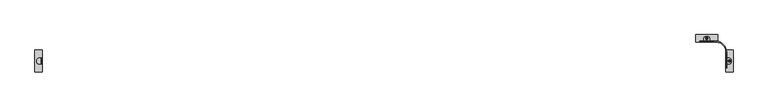
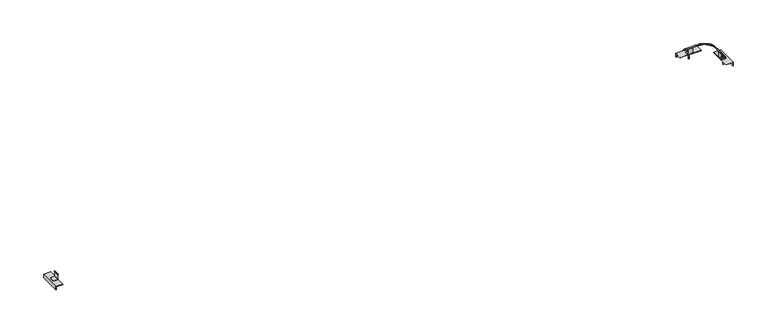
"""IFC4 building model written with IfcOpenShell, lengths in millimetres: proxy geometry."""

from ifc_helpers import new_model, si_unit, point, frame, frame_2d, origin, place, context, project, spatial, polyline, circle_curve, ellipse_curve, trimmed, segment, composite_curve, outline, extrude, source, transform, mapped, element, save
from ifc_brep_helpers import plane_surface, cylinder_surface, revolved_surface, advanced_brep


def specialty_equipment_17fe0b47(model_context):
    return source(origin(), model_context, "Body", "SolidModel", [
        extrude(outline(polyline([(1711.0, 9500.0), (1711.0, 9400.0), (1705.0, 9400.0), (1705.0, 9494.0), (1661.0, 9494.0), (1661.0, 9500.0), (1711.0, 9500.0)])), frame((0.0, -416.5, 0.0), z_axis=(0.0, 1.0, 0.0), x_axis=(0.0, 0.0, 1.0)), (0.0, 0.0, 1.0), 300.0),
        advanced_brep(
        [(9405.0, -306.5, 1714.0), (9405.0, -306.5, 1717.533997), (9405.0, -306.5, 1784.1601246), (9405.0, -306.5, 1784.6941216), (9405.0, -226.5, 1784.6941216), (9405.0, -226.5, 1784.1601246), (9405.0, -226.5, 1717.533997), (9405.0, -226.5, 1714.0), (9411.0, -306.5, 1714.0), (9445.0, -306.5, 1714.0), (9475.0, -276.5, 1714.0), (9475.0, -256.5, 1714.0), (9445.0, -226.5, 1714.0), (9411.0, -226.5, 1714.0), (9404.8190779, -306.5, 1785.720182), (9404.8190779, -226.5, 1785.720182), (9408.1809221, -226.5, 1785.720182), (9408.1809221, -306.5, 1785.720182), (9408.0, -306.5, 1784.6941216), (9408.0, -226.5, 1784.6941216), (9407.5, -226.5, 1792.5), (9407.5, -306.5, 1792.5), (9410.7661501, -306.5, 1793.2485362), (9410.7661501, -226.5, 1793.2485362), (9402.9409047, -226.5, 1794.0447796), (9402.9409047, -306.5, 1794.0447796), (9475.0, -256.5, 1711.0), (9445.0, -226.5, 1711.0), (9408.0, -226.5, 1784.1601246), (9408.0, -226.5, 1717.533997), (9408.0, -306.5, 1717.533997), (9408.0, -306.5, 1784.1601246), (9408.0, -226.5, 1711.0), (9408.0, -226.5, 1717.0), (9408.0, -306.5, 1711.0), (9445.0, -306.5, 1711.0), (9408.0, -306.5, 1717.0), (9475.0, -276.5, 1711.0)],
        [
            (0, 1),
            (1, 2, circle_curve(frame((9405.0, -362.0703313, 1750.8470608), z_axis=(1.0, 0.0, 0.0), x_axis=(0.0, 0.0, 1.0)), 64.7906007)),
            (2, 3),
            (3, 4),
            (4, 5),
            (5, 6, circle_curve(frame((9405.0, -170.9296687, 1750.8470608), z_axis=(1.0, 0.0, 0.0), x_axis=(0.0, 0.0, 1.0)), 64.7906007)),
            (6, 7),
            (7, 0),
            (8, 9),
            (9, 10, circle_curve(frame((9445.0, -276.5, 1714.0), z_axis=(0.0, 0.0, 1.0), x_axis=(1.0, 0.0, 0.0)), 30.0)),
            (10, 11),
            (11, 12, circle_curve(frame((9445.0, -256.5, 1714.0), z_axis=(0.0, 0.0, 1.0), x_axis=(1.0, 0.0, 0.0)), 30.0)),
            (12, 13),
            (13, 8),
            (3, 14, circle_curve(frame((9402.0, -306.5, 1784.6941216), z_axis=(0.0, -1.0, 0.0), x_axis=(0.0, 0.0, 1.0)), 3.0)),
            (14, 15),
            (15, 4, circle_curve(frame((9402.0, -226.5, 1784.6941216), z_axis=(0.0, 1.0, 0.0), x_axis=(0.0, 0.0, 1.0)), 3.0)),
            (16, 17),
            (17, 18, circle_curve(frame((9411.0, -306.5, 1784.6941216), z_axis=(0.0, -1.0, 0.0), x_axis=(0.0, 0.0, 1.0)), 3.0)),
            (18, 19),
            (19, 16, circle_curve(frame((9411.0, -226.5, 1784.6941216), z_axis=(0.0, 1.0, 0.0), x_axis=(0.0, 0.0, 1.0)), 3.0)),
            (20, 21),
            (21, 22, circle_curve(frame((9407.5, -306.5, 1800.0), z_axis=(0.0, -1.0, 0.0), x_axis=(0.0, 0.0, 1.0)), 7.5)),
            (22, 23),
            (23, 20, circle_curve(frame((9407.5, -226.5, 1800.0), z_axis=(0.0, 1.0, 0.0), x_axis=(0.0, 0.0, 1.0)), 7.5)),
            (24, 25),
            (25, 21, circle_curve(frame((9407.5, -306.5, 1800.0), z_axis=(0.0, -1.0, 0.0), x_axis=(0.0, 0.0, 1.0)), 7.5)),
            (20, 24, circle_curve(frame((9407.5, -226.5, 1800.0), z_axis=(0.0, 1.0, 0.0), x_axis=(0.0, 0.0, 1.0)), 7.5)),
            (14, 25),
            (24, 15),
            (11, 26),
            (26, 27, circle_curve(frame((9445.0, -256.5, 1711.0), z_axis=(0.0, 0.0, 1.0), x_axis=(1.0, 0.0, 0.0)), 30.0)),
            (27, 12),
            (28, 29, circle_curve(frame((9408.0, -170.9296687, 1750.8470608), z_axis=(1.0, 0.0, 0.0), x_axis=(0.0, 0.0, 1.0)), 64.7906007)),
            (29, 6),
            (5, 28),
            (1, 30),
            (30, 31, circle_curve(frame((9408.0, -362.0703313, 1750.8470608), z_axis=(1.0, 0.0, 0.0), x_axis=(0.0, 0.0, 1.0)), 64.7906007)),
            (31, 2),
            (19, 28),
            (23, 16),
            (27, 32),
            (32, 7, circle_curve(frame((9408.0, -226.5, 1714.0), z_axis=(0.0, 1.0, 0.0), x_axis=(0.0, 0.0, 1.0)), 3.0)),
            (29, 33),
            (33, 13, circle_curve(frame((9411.0, -226.5, 1717.0), z_axis=(0.0, -1.0, 0.0), x_axis=(0.0, 0.0, 1.0)), 3.0)),
            (31, 18),
            (17, 22),
            (34, 35),
            (35, 9),
            (8, 36, circle_curve(frame((9411.0, -306.5, 1717.0), z_axis=(0.0, 1.0, 0.0), x_axis=(0.0, 0.0, 1.0)), 3.0)),
            (36, 30),
            (0, 34, circle_curve(frame((9408.0, -306.5, 1714.0), z_axis=(0.0, -1.0, 0.0), x_axis=(0.0, 0.0, 1.0)), 3.0)),
            (32, 34),
            (33, 36),
            (10, 37),
            (37, 26),
            (37, 35, circle_curve(frame((9445.0, -276.5, 1711.0), z_axis=(0.0, 0.0, -1.0), x_axis=(1.0, 0.0, 0.0)), 30.0)),
        ],
        [
            plane_surface(frame((9405.0, -226.5, 1784.6941216), z_axis=(-1.0, 0.0, 0.0), x_axis=(0.0, -1.0, 0.0))),
            plane_surface(frame((9475.0, -226.5, 1714.0), z_axis=(0.0, 0.0, 1.0), x_axis=(0.0, -1.0, 0.0))),
            revolved_surface(polyline([(9402.0, -306.5, 1787.6941216), (9402.0, -226.5, 1787.6941216)]), (9402.0, -306.5, 1784.6941216), (0.0, -1.0, 0.0)),
            revolved_surface(polyline([(9411.0, -306.5, 1787.6941216), (9411.0, -226.5, 1787.6941216)]), (9411.0, -306.5, 1784.6941216), (0.0, -1.0, 0.0)),
            revolved_surface(polyline([(9407.5, -306.5, 1807.5), (9407.5, -226.5, 1807.5)]), (9407.5, -306.5, 1800.0), (0.0, -1.0, 0.0)),
            plane_surface(frame((9402.9409047, -226.5, 1794.0447796), z_axis=(-0.9754806304255483, 0.0, -0.2200853008825777), x_axis=(0.0, -1.0, 0.0))),
            cylinder_surface(frame((9445.0, -256.5, 1711.0), z_axis=(0.0, 0.0, -1.0), x_axis=(1.0, 0.0, 0.0)), 30.0),
            revolved_surface(polyline([(9408.0, -170.9296687, 1815.6376615), (9405.0, -170.9296687, 1815.6376615)]), (9405.0, -170.9296687, 1750.8470608), (1.0, 0.0, 0.0)),
            revolved_surface(polyline([(9408.0, -362.0703313, 1815.6376615), (9405.0, -362.0703313, 1815.6376615)]), (9415.0, -362.0703313, 1750.8470608), (1.0, 0.0, 0.0)),
            plane_surface(frame((9475.0, -226.5, 1711.0), z_axis=(0.0, 1.0, 0.0), x_axis=(1.0, 0.0, 0.0))),
            plane_surface(frame((9475.0, -306.5, 1711.0), z_axis=(0.0, -1.0, 0.0), x_axis=(-1.0, 0.0, 0.0))),
            cylinder_surface(frame((9408.0, -306.5, 1714.0), z_axis=(0.0, 1.0, 0.0), x_axis=(0.0, 0.0, 1.0)), 3.0),
            revolved_surface(polyline([(9411.0, -306.5, 1720.0), (9411.0, -226.5, 1720.0)]), (9411.0, -306.5, 1717.0), (0.0, -1.0, 0.0)),
            plane_surface(frame((9475.0, -226.5, 1711.0), z_axis=(1.0, 0.0, 0.0), x_axis=(0.0, -1.0, 0.0))),
            plane_surface(frame((9408.0, -226.5, 1711.0), z_axis=(0.0, 0.0, -1.0), x_axis=(0.0, -1.0, 0.0))),
            plane_surface(frame((9408.0, -226.5, 1717.0), z_axis=(1.0, 0.0, 0.0), x_axis=(0.0, -1.0, 0.0))),
            plane_surface(frame((9408.1809221, -226.5, 1785.720182), z_axis=(0.945788659818913, 0.0, -0.32478271345307863), x_axis=(0.0, -1.0, 0.0))),
            cylinder_surface(frame((9445.0, -276.5, 1714.0), z_axis=(0.0, 0.0, -1.0), x_axis=(1.0, 0.0, 0.0)), 30.0),
        ],
        [
            (0, [[1, 2, 3, 4, 5, 6, 7, 8]]),
            (1, [[9, 10, 11, 12, 13, 14]]),
            (2, [[-4, 15, 16, 17]]),
            (3, [[18, 19, 20, 21]]),
            (4, [[22, 23, 24, 25]]),
            (4, [[26, 27, -22, 28]]),
            (5, [[-16, 29, -26, 30]]),
            (6, [[-12, 31, 32, 33]]),
            (7, [[34, 35, -6, 36]]),
            (8, [[-2, 37, 38, 39]]),
            (9, [[40, -36, -5, -17, -30, -28, -25, 41, -21]]),
            (9, [[-13, -33, 42, 43, -7, -35, 44, 45]]),
            (10, [[-3, -39, 46, -19, 47, -23, -27, -29, -15]]),
            (10, [[48, 49, -9, 50, 51, -37, -1, 52]]),
            (11, [[53, -52, -8, -43]]),
            (12, [[54, -50, -14, -45]]),
            (13, [[55, 56, -31, -11]]),
            (14, [[-42, -32, -56, 57, -48, -53]]),
            (15, [[-44, -34, -40, -20, -46, -38, -51, -54]]),
            (16, [[-24, -47, -18, -41]]),
            (17, [[-57, -55, -10, -49]]),
        ],
    ),
        advanced_brep(
        [(9407.5, -361.4999054, 1795.0), (9407.5, -171.5000946, 1795.0), (9407.5, -171.5000946, 1805.0), (9407.5, -361.4999054, 1805.0), (9407.5, -190.4058632, 1792.7743319), (9407.5, -190.4058632, 1807.2256681), (9407.5, -195.082539, 1792.5), (9407.5, -344.8711836, 1792.5), (9407.5, -344.8711836, 1807.5), (9407.5, -195.082539, 1807.5), (9407.5, -352.5726269, 1793.2484042), (9407.5, -352.5726269, 1806.7515958)],
        [
            (0, 1),
            (1, 2, circle_curve(frame((9407.5, -171.5000946, 1800.0), z_axis=(0.0, 1.0, 0.0), x_axis=(0.0, 0.0, 1.0)), 5.0)),
            (2, 3),
            (3, 0, circle_curve(frame((9407.5, -361.4999054, 1800.0), z_axis=(0.0, -1.0, 0.0), x_axis=(0.0, 0.0, 1.0)), 5.0)),
            (1, 4),
            (4, 5, circle_curve(frame((9407.5, -190.4058632, 1800.0), z_axis=(0.0, 1.0, 0.0), x_axis=(0.0, 0.0, 1.0)), 7.2256681)),
            (5, 2),
            (6, 7),
            (7, 8, circle_curve(frame((9407.5, -344.8711836, 1800.0), z_axis=(0.0, 1.0, 0.0), x_axis=(0.0, 0.0, 1.0)), 7.5)),
            (8, 9),
            (9, 6, circle_curve(frame((9407.5, -195.082539, 1800.0), z_axis=(0.0, -1.0, 0.0), x_axis=(0.0, 0.0, 1.0)), 7.5)),
            (10, 0),
            (3, 11),
            (11, 10, circle_curve(frame((9407.5, -352.5726269, 1800.0), z_axis=(0.0, -1.0, 0.0), x_axis=(0.0, 0.0, 1.0)), 6.7515958)),
            (4, 6, circle_curve(frame((9407.5, -195.082539, 1832.5), z_axis=(-1.0, 0.0, 0.0), x_axis=(0.0, 0.0, 1.0)), 40.0)),
            (9, 5, circle_curve(frame((9407.5, -195.082539, 1767.5), z_axis=(-1.0, 0.0, 0.0), x_axis=(0.0, 0.0, -1.0)), 40.0)),
            (7, 10, circle_curve(frame((9407.5, -344.8711836, 1832.5), z_axis=(-1.0, 0.0, 0.0), x_axis=(0.0, 0.0, 1.0)), 40.0)),
            (11, 8, circle_curve(frame((9407.5, -344.8711836, 1767.5), z_axis=(-1.0, 0.0, 0.0), x_axis=(0.0, 0.0, -1.0)), 40.0)),
            (2, 1, circle_curve(frame((9407.5, -171.5000946, 1800.0), z_axis=(0.0, 1.0, 0.0), x_axis=(0.0, 0.0, 1.0)), 5.0)),
            (0, 3, circle_curve(frame((9407.5, -361.4999054, 1800.0), z_axis=(0.0, -1.0, 0.0), x_axis=(0.0, 0.0, 1.0)), 5.0)),
            (5, 4, circle_curve(frame((9407.5, -190.4058632, 1800.0), z_axis=(0.0, 1.0, 0.0), x_axis=(0.0, 0.0, 1.0)), 7.2256681)),
            (8, 7, circle_curve(frame((9407.5, -344.8711836, 1800.0), z_axis=(0.0, 1.0, 0.0), x_axis=(0.0, 0.0, 1.0)), 7.5)),
            (6, 9, circle_curve(frame((9407.5, -195.082539, 1800.0), z_axis=(0.0, -1.0, 0.0), x_axis=(0.0, 0.0, 1.0)), 7.5)),
            (10, 11, circle_curve(frame((9407.5, -352.5726269, 1800.0), z_axis=(0.0, -1.0, 0.0), x_axis=(0.0, 0.0, 1.0)), 6.7515958)),
        ],
        [
            revolved_surface(polyline([(9407.5, -171.5000946, 1805.0), (9407.5, -361.4999054, 1805.0)]), (9407.5, -361.5, 1800.0), (0.0, 1.0, 0.0)),
            revolved_surface(polyline([(9407.5, -190.4058632, 1807.2256681), (9407.5, -171.5000946, 1805.0)]), (9407.5, -361.5, 1800.0), (0.0, 1.0, 0.0)),
            cylinder_surface(frame((9407.5, -361.5, 1800.0), z_axis=(0.0, 1.0, 0.0), x_axis=(0.0, 0.0, 1.0)), 7.5),
            revolved_surface(polyline([(9407.5, -361.4999054, 1805.0), (9407.5, -352.5726269, 1806.7515958)]), (9407.5, -361.5, 1800.0), (0.0, 1.0, 0.0)),
            revolved_surface(trimmed(ellipse_curve(frame((9407.5, -195.082539, 1767.5), z_axis=(-1.0, 0.0, 0.0), x_axis=(0.0, 0.0, -1.0)), 40.0, 40.0), [point((9407.5, -195.082539, 1807.5))], [point((9407.5, -190.4058632, 1807.2256681))], True, "CARTESIAN"), (9407.5, -361.5, 1800.0), (0.0, 1.0, 0.0)),
            revolved_surface(trimmed(ellipse_curve(frame((9407.5, -344.8711836, 1767.5), z_axis=(-1.0, 0.0, 0.0), x_axis=(0.0, 0.0, -1.0)), 40.0, 40.0), [point((9407.5, -352.5726269, 1806.7515958))], [point((9407.5, -344.8711836, 1807.5))], True, "CARTESIAN"), (9407.5, -361.5, 1800.0), (0.0, 1.0, 0.0)),
        ],
        [
            (0, [[1, 2, 3, 4]]),
            (1, [[5, 6, 7, -2]]),
            (2, [[8, 9, 10, 11]]),
            (3, [[12, -4, 13, 14]]),
            (4, [[15, -11, 16, -6]]),
            (5, [[17, -14, 18, -9]]),
            (0, [[-3, 19, -1, 20]]),
            (1, [[-7, 21, -5, -19]]),
            (2, [[-10, 22, -8, 23]]),
            (3, [[-13, -20, -12, 24]]),
            (4, [[-16, -23, -15, -21]]),
            (5, [[-18, -24, -17, -22]]),
        ],
    ),
        extrude(outline(polyline([(9448.6378375, -274.5829038), (9441.6378375, -270.5414519), (9441.6378375, -262.4585481), (9448.6378375, -258.4170962), (9455.6378375, -262.4585481), (9455.6378375, -270.5414519), (9448.6378375, -274.5829038)]), holes=[composite_curve([segment(trimmed(circle_curve(frame_2d((9448.6378375, -266.5)), 6.0), [point((9442.6378375, -266.5))], [point((9454.6378375, -266.5))], True, "CARTESIAN"), True, "CONTINUOUS"), segment(trimmed(circle_curve(frame_2d((9448.6378375, -266.5)), 6.0), [point((9454.6378375, -266.5))], [point((9442.6378375, -266.5))], True, "CARTESIAN"), True, "CONTINUOUS")], self_intersect=False)]), frame((0.0, 0.0, 1720.0), z_axis=(0.0, 0.0, 1.0), x_axis=(1.0, 0.0, 0.0)), (0.0, 0.0, 1.0), 6.0),
        extrude(outline(composite_curve([segment(trimmed(circle_curve(frame_2d((9448.6378375, -266.5)), 9.0), [point((9439.6378375, -266.5))], [point((9457.6378375, -266.5))], False, "CARTESIAN"), True, "CONTINUOUS"), segment(trimmed(circle_curve(frame_2d((9448.6378375, -266.5)), 9.0), [point((9457.6378375, -266.5))], [point((9439.6378375, -266.5))], False, "CARTESIAN"), True, "CONTINUOUS")], self_intersect=False), holes=[composite_curve([segment(trimmed(circle_curve(frame_2d((9448.6378375, -266.5)), 6.0), [point((9442.6378375, -266.5))], [point((9454.6378375, -266.5))], True, "CARTESIAN"), True, "CONTINUOUS"), segment(trimmed(circle_curve(frame_2d((9448.6378375, -266.5)), 6.0), [point((9454.6378375, -266.5))], [point((9442.6378375, -266.5))], True, "CARTESIAN"), True, "CONTINUOUS")], self_intersect=False)]), frame((0.0, 0.0, 1717.0), z_axis=(0.0, 0.0, 1.0), x_axis=(1.0, 0.0, 0.0)), (0.0, 0.0, 1.0), 3.0),
        extrude(outline(composite_curve([segment(trimmed(circle_curve(frame_2d((9448.6378375, -266.5)), 16.0), [point((9432.6378375, -266.5))], [point((9464.6378375, -266.5))], False, "CARTESIAN"), True, "CONTINUOUS"), segment(trimmed(circle_curve(frame_2d((9448.6378375, -266.5)), 16.0), [point((9464.6378375, -266.5))], [point((9432.6378375, -266.5))], False, "CARTESIAN"), True, "CONTINUOUS")], self_intersect=False), holes=[composite_curve([segment(trimmed(circle_curve(frame_2d((9448.6378375, -266.5)), 6.0), [point((9442.6378375, -266.5))], [point((9454.6378375, -266.5))], True, "CARTESIAN"), True, "CONTINUOUS"), segment(trimmed(circle_curve(frame_2d((9448.6378375, -266.5)), 6.0), [point((9454.6378375, -266.5))], [point((9442.6378375, -266.5))], True, "CARTESIAN"), True, "CONTINUOUS")], self_intersect=False)]), frame((0.0, 0.0, 1714.0), z_axis=(0.0, 0.0, 1.0), x_axis=(1.0, 0.0, 0.0)), (0.0, 0.0, 1.0), 3.0),
        advanced_brep(
        [(9448.6378375, -272.5, 1744.5), (9448.6378375, -266.5, 1744.5), (9448.6378375, -260.5, 1744.5), (9448.6378375, -272.5, 1614.5), (9448.6378375, -260.5, 1614.5), (9448.6378375, -266.5, 1614.5)],
        [
            (0, 1),
            (1, 2),
            (2, 0, circle_curve(frame((9448.6378375, -266.5, 1744.5), z_axis=(0.0, 0.0, 1.0), x_axis=(0.0, 1.0, 0.0)), 6.0)),
            (3, 0),
            (2, 4),
            (4, 3, circle_curve(frame((9448.6378375, -266.5, 1614.5), z_axis=(0.0, 0.0, 1.0), x_axis=(0.0, 1.0, 0.0)), 6.0)),
            (2, 0, circle_curve(frame((9448.6378375, -266.5, 1744.5), z_axis=(0.0, 0.0, -1.0), x_axis=(0.0, 1.0, 0.0)), 6.0)),
            (3, 4, circle_curve(frame((9448.6378375, -266.5, 1614.5), z_axis=(0.0, 0.0, 1.0), x_axis=(0.0, 1.0, 0.0)), 6.0)),
            (5, 3),
            (4, 5),
        ],
        [
            plane_surface(frame((9448.6378375, -266.5, 1744.5), z_axis=(0.0, 0.0, 1.0), x_axis=(0.0, 1.0, 0.0))),
            cylinder_surface(frame((9448.6378375, -266.5, 1663.5), z_axis=(0.0, 0.0, -1.0), x_axis=(0.0, 1.0, 0.0)), 6.0),
            plane_surface(frame((9448.6378375, -266.5, 1614.5), z_axis=(0.0, 0.0, -1.0), x_axis=(0.0, 1.0, 0.0))),
        ],
        [
            (0, [[1, 2, 3]]),
            (1, [[4, -3, 5, 6]]),
            (1, [[-5, 7, -4, 8]]),
            (0, [[-2, -1, -7]]),
            (2, [[9, -6, 10]]),
            (2, [[-10, -8, -9]]),
        ],
    ),
        advanced_brep(
        [(9412.5, -146.5000946, 1800.0), (9412.5, -171.5000946, 1800.0), (9402.5, -171.5000946, 1800.0), (9402.5, -146.5000946, 1800.0), (9235.9998108, -5.0, 1800.0), (9235.9998108, 5.0, 1800.0), (9260.9999054, -5.0, 1800.0), (9260.9999054, 5.0, 1800.0)],
        [
            (0, 1),
            (1, 2, circle_curve(frame((9407.5, -171.5000946, 1800.0), z_axis=(0.0, 1.0, 0.0), x_axis=(1.0, 0.0, 0.0)), 5.0)),
            (2, 3),
            (3, 0, circle_curve(frame((9407.5, -146.5000946, 1800.0), z_axis=(0.0, -1.0, 0.0), x_axis=(1.0, 0.0, 0.0)), 5.0)),
            (4, 5, circle_curve(frame((9235.9998108, 0.0, 1800.0), z_axis=(-1.0, 0.0, 0.0), x_axis=(0.0, 1.0, 0.0)), 5.0)),
            (5, 4, circle_curve(frame((9235.9998108, 0.0, 1800.0), z_axis=(-1.0, 0.0, 0.0), x_axis=(0.0, 1.0, 0.0)), 5.0)),
            (4, 6),
            (6, 7, circle_curve(frame((9260.9999054, 0.0, 1800.0), z_axis=(-1.0, 0.0, 0.0), x_axis=(0.0, 1.0, 0.0)), 5.0)),
            (7, 5),
            (7, 6, circle_curve(frame((9260.9999054, 0.0, 1800.0), z_axis=(-1.0, 0.0, 0.0), x_axis=(0.0, 1.0, 0.0)), 5.0)),
            (3, 0, circle_curve(frame((9407.5, -146.5000946, 1800.0), z_axis=(0.0, 1.0, 0.0), x_axis=(1.0, 0.0, 0.0)), 5.0)),
            (0, 7, circle_curve(frame((9260.9999054, -146.5000946, 1800.0), z_axis=(0.0, 0.0, 1.0), x_axis=(0.0, 1.0, 0.0)), 151.5000946)),
            (6, 3, circle_curve(frame((9260.9999054, -146.5000946, 1800.0), z_axis=(0.0, 0.0, -1.0), x_axis=(0.0, 1.0, 0.0)), 141.5000946)),
            (1, 2, circle_curve(frame((9407.5, -171.5000946, 1800.0), z_axis=(0.0, -1.0, 0.0), x_axis=(1.0, 0.0, 0.0)), 5.0)),
        ],
        [
            cylinder_surface(frame((9407.5, -146.5000946, 1800.0), z_axis=(0.0, 1.0, 0.0), x_axis=(1.0, 0.0, 0.0)), 5.0),
            plane_surface(frame((9235.9998108, 0.0, 1711.0), z_axis=(-1.0, 0.0, 0.0), x_axis=(0.0, 0.0, -1.0))),
            cylinder_surface(frame((9235.9998108, 0.0, 1800.0), z_axis=(-1.0, 0.0, 0.0), x_axis=(0.0, 1.0, 0.0)), 5.0),
            revolved_surface(trimmed(ellipse_curve(frame((9260.9999054, 0.0, 1800.0), z_axis=(1.0, 0.0, 0.0), x_axis=(0.0, 1.0, 0.0)), 5.0, 5.0), [point((9260.9999054, 5.0, 1800.0))], [point((9260.9999054, -5.0, 1800.0))], True, "CARTESIAN"), (9260.9999054, -146.5000946, 1711.0), (0.0, 0.0, 1.0)),
            revolved_surface(trimmed(ellipse_curve(frame((9260.9999054, 0.0, 1800.0), z_axis=(1.0, 0.0, 0.0), x_axis=(0.0, 1.0, 0.0)), 5.0, 5.0), [point((9260.9999054, -5.0, 1800.0))], [point((9260.9999054, 5.0, 1800.0))], True, "CARTESIAN"), (9260.9999054, -146.5000946, 1711.0), (0.0, 0.0, 1.0)),
            plane_surface(frame((9407.5, -171.5000946, 1711.0), z_axis=(0.0, -1.0, 0.0), x_axis=(0.0, 0.0, -1.0))),
        ],
        [
            (0, [[1, 2, 3, 4]]),
            (1, [[5, 6]]),
            (2, [[7, 8, 9, -5]]),
            (2, [[-9, 10, -7, -6]]),
            (3, [[11, 12, -8, 13]]),
            (4, [[-4, -13, -10, -12]]),
            (5, [[-2, 14]]),
            (0, [[-3, -14, -1, -11]]),
        ],
    ),
        advanced_brep(
        [(9290.9999054, 86.5, 1661.0), (8991.0, 86.5, 1661.0), (8991.0, 92.5, 1661.0), (9290.9999054, 92.5, 1661.0), (9290.9999054, 86.5, 1705.0), (8991.0, 86.5, 1705.0), (9290.9999054, -7.5, 1705.0), (8991.0, -7.5, 1705.0), (9134.9999054, 41.1378375, 1705.0), (9146.9999054, 41.1378375, 1705.0), (9290.9999054, 92.5, 1711.0), (8991.0, 92.5, 1711.0), (8991.0, -7.5, 1711.0), (9290.9999054, -7.5, 1711.0), (9146.9999054, 41.1378375, 1711.0), (9134.9999054, 41.1378375, 1711.0), (9134.9999054, 41.1378375, 1744.5), (9140.9999054, 41.1378375, 1744.5), (9146.9999054, 41.1378375, 1744.5), (9146.9999054, 41.1378375, 1614.5), (9140.9999054, 41.1378375, 1614.5), (9134.9999054, 41.1378375, 1614.5)],
        [
            (0, 1),
            (1, 2),
            (2, 3),
            (3, 0),
            (4, 5),
            (5, 1),
            (0, 4),
            (6, 7),
            (7, 5),
            (4, 6),
            (8, 9, circle_curve(frame((9140.9999054, 41.1378375, 1705.0), z_axis=(0.0, 0.0, 1.0), x_axis=(-1.0, 0.0, 0.0)), 6.0)),
            (9, 8, circle_curve(frame((9140.9999054, 41.1378375, 1705.0), z_axis=(0.0, 0.0, 1.0), x_axis=(-1.0, 0.0, 0.0)), 6.0)),
            (10, 11),
            (11, 12),
            (12, 13),
            (13, 10),
            (14, 15, circle_curve(frame((9140.9999054, 41.1378375, 1711.0), z_axis=(0.0, 0.0, -1.0), x_axis=(-1.0, 0.0, 0.0)), 6.0)),
            (15, 14, circle_curve(frame((9140.9999054, 41.1378375, 1711.0), z_axis=(0.0, 0.0, -1.0), x_axis=(-1.0, 0.0, 0.0)), 6.0)),
            (16, 17),
            (17, 18),
            (18, 16, circle_curve(frame((9140.9999054, 41.1378375, 1744.5), z_axis=(0.0, 0.0, 1.0), x_axis=(-1.0, 0.0, 0.0)), 6.0)),
            (19, 20),
            (20, 21),
            (21, 19, circle_curve(frame((9140.9999054, 41.1378375, 1614.5), z_axis=(0.0, 0.0, -1.0), x_axis=(-1.0, 0.0, 0.0)), 6.0)),
            (13, 6),
            (3, 10),
            (11, 2),
            (7, 12),
            (21, 8),
            (9, 19),
            (18, 14),
            (15, 16),
            (18, 16, circle_curve(frame((9140.9999054, 41.1378375, 1744.5), z_axis=(0.0, 0.0, -1.0), x_axis=(-1.0, 0.0, 0.0)), 6.0)),
            (21, 19, circle_curve(frame((9140.9999054, 41.1378375, 1614.5), z_axis=(0.0, 0.0, 1.0), x_axis=(-1.0, 0.0, 0.0)), 6.0)),
        ],
        [
            plane_surface(frame((9290.9999054, 92.5, 1661.0), z_axis=(0.0, 0.0, -1.0), x_axis=(-1.0, 0.0, 0.0))),
            plane_surface(frame((9290.9999054, 86.5, 1661.0), z_axis=(0.0, -1.0, 0.0), x_axis=(-1.0, 0.0, 0.0))),
            plane_surface(frame((9290.9999054, 86.5, 1705.0), z_axis=(0.0, 0.0, -1.0), x_axis=(-1.0, 0.0, 0.0))),
            plane_surface(frame((9290.9999054, -7.5, 1711.0), z_axis=(0.0, 0.0, 1.0), x_axis=(-1.0, 0.0, 0.0))),
            plane_surface(frame((9140.9999054, 41.1378375, 1744.5), z_axis=(0.0, 0.0, 1.0), x_axis=(-1.0, 0.0, 0.0))),
            plane_surface(frame((9140.9999054, 41.1378375, 1614.5), z_axis=(0.0, 0.0, -1.0), x_axis=(-1.0, 0.0, 0.0))),
            plane_surface(frame((9290.9999054, 171.5, 1711.0), z_axis=(1.0, 0.0, 0.0), x_axis=(0.0, 1.0, 0.0))),
            plane_surface(frame((8991.0, 171.5, 1711.0), z_axis=(-1.0, 0.0, 0.0), x_axis=(0.0, 1.0, 0.0))),
            plane_surface(frame((9290.9999054, 92.5, 1711.0), z_axis=(0.0, 1.0, 0.0), x_axis=(-1.0, 0.0, 0.0))),
            plane_surface(frame((9290.9999054, -7.5, 1705.0), z_axis=(0.0, -1.0, 0.0), x_axis=(-1.0, 0.0, 0.0))),
            cylinder_surface(frame((9140.9999054, 41.1378375, 1663.5), z_axis=(0.0, 0.0, 1.0), x_axis=(-1.0, 0.0, 0.0)), 6.0),
        ],
        [
            (0, [[1, 2, 3, 4]]),
            (1, [[5, 6, -1, 7]]),
            (2, [[8, 9, -5, 10], [11, 12]]),
            (3, [[13, 14, 15, 16], [17, 18]]),
            (4, [[19, 20, 21]]),
            (5, [[22, 23, 24]]),
            (6, [[-16, 25, -10, -7, -4, 26]]),
            (7, [[27, -2, -6, -9, 28, -14]]),
            (8, [[-3, -27, -13, -26]]),
            (9, [[-15, -28, -8, -25]]),
            (10, [[29, -12, 30, -24]]),
            (10, [[31, -18, 32, -21]]),
            (10, [[-32, -17, -31, 33]]),
            (10, [[-30, -11, -29, 34]]),
            (4, [[-20, -19, -33]]),
            (5, [[-23, -22, -34]]),
        ],
    ),
        advanced_brep(
        [(9100.9999054, 3.5, 1714.0), (9100.9999054, 37.5, 1714.0), (9100.9999054, 37.5, 1711.0), (9100.9999054, 0.5, 1711.0), (9100.9999054, -2.5, 1714.0), (9100.9999054, -2.5, 1717.0), (9100.9999054, 0.5, 1717.0), (9100.9999054, 0.5, 1784.6941216), (9100.9999054, 0.5, 1783.6261276), (9100.9999054, -2.5, 1783.6261276), (9100.9999054, -2.5, 1784.6941216), (9100.9999054, -2.6809221, 1785.720182), (9100.9999054, -4.5590953, 1794.0447796), (9100.9999054, 0.0, 1792.5), (9100.9999054, 3.2661501, 1793.2485362), (9100.9999054, 0.6809221, 1785.720182), (9180.9999054, -2.5, 1714.0), (9180.9999054, -2.5, 1717.0), (9180.9999054, -2.5, 1783.6261276), (9180.9999054, -2.5, 1784.6941216), (9180.9999054, 3.5, 1714.0), (9180.9999054, 37.5, 1714.0), (9150.9999054, 67.5, 1714.0), (9130.9999054, 67.5, 1714.0), (9180.9999054, -2.6809221, 1785.720182), (9180.9999054, 0.6809221, 1785.720182), (9180.9999054, 0.5, 1784.6941216), (9180.9999054, 0.0, 1792.5), (9180.9999054, 3.2661501, 1793.2485362), (9180.9999054, -4.5590953, 1794.0447796), (9130.9999054, 67.5, 1711.0), (9180.9999054, 0.5, 1717.0), (9180.9999054, 0.5, 1783.6261276), (9180.9999054, 0.5, 1711.0), (9180.9999054, 37.5, 1711.0), (9150.9999054, 67.5, 1711.0)],
        [
            (0, 1),
            (1, 2),
            (2, 3),
            (3, 4, circle_curve(frame((9100.9999054, 0.5, 1714.0), z_axis=(-1.0, 0.0, 0.0), x_axis=(0.0, 0.0, 1.0)), 3.0)),
            (4, 5),
            (5, 6),
            (6, 0, circle_curve(frame((9100.9999054, 3.5, 1717.0), z_axis=(1.0, 0.0, 0.0), x_axis=(0.0, 0.0, 1.0)), 3.0)),
            (7, 8),
            (8, 9),
            (9, 10),
            (10, 11, circle_curve(frame((9100.9999054, -5.5, 1784.6941216), z_axis=(1.0, 0.0, 0.0), x_axis=(0.0, 0.0, 1.0)), 3.0)),
            (11, 12),
            (12, 13, circle_curve(frame((9100.9999054, 0.0, 1800.0), z_axis=(1.0, 0.0, 0.0), x_axis=(0.0, 0.0, 1.0)), 7.5)),
            (13, 14, circle_curve(frame((9100.9999054, 0.0, 1800.0), z_axis=(1.0, 0.0, 0.0), x_axis=(0.0, 0.0, 1.0)), 7.5)),
            (14, 15),
            (15, 7, circle_curve(frame((9100.9999054, 3.5, 1784.6941216), z_axis=(1.0, 0.0, 0.0), x_axis=(0.0, 0.0, 1.0)), 3.0)),
            (16, 17),
            (17, 18, circle_curve(frame((9236.5702367, -2.5, 1750.3130638), z_axis=(0.0, 1.0, 0.0), x_axis=(0.0, 0.0, -1.0)), 64.7906007)),
            (18, 19),
            (19, 10),
            (9, 5, circle_curve(frame((9045.4295741, -2.5, 1750.3130638), z_axis=(0.0, 1.0, 0.0), x_axis=(0.0, 0.0, -1.0)), 64.7906007)),
            (4, 16),
            (20, 21),
            (21, 22, circle_curve(frame((9150.9999054, 37.5, 1714.0), z_axis=(0.0, 0.0, 1.0), x_axis=(0.0, 1.0, 0.0)), 30.0)),
            (22, 23),
            (23, 1, circle_curve(frame((9130.9999054, 37.5, 1714.0), z_axis=(0.0, 0.0, 1.0), x_axis=(0.0, 1.0, 0.0)), 30.0)),
            (0, 20),
            (19, 24, circle_curve(frame((9180.9999054, -5.5, 1784.6941216), z_axis=(1.0, 0.0, 0.0), x_axis=(0.0, 0.0, 1.0)), 3.0)),
            (24, 11),
            (15, 25),
            (25, 26, circle_curve(frame((9180.9999054, 3.5, 1784.6941216), z_axis=(1.0, 0.0, 0.0), x_axis=(0.0, 0.0, 1.0)), 3.0)),
            (26, 7),
            (13, 27),
            (27, 28, circle_curve(frame((9180.9999054, 0.0, 1800.0), z_axis=(1.0, 0.0, 0.0), x_axis=(0.0, 0.0, 1.0)), 7.5)),
            (28, 14),
            (12, 29),
            (29, 27, circle_curve(frame((9180.9999054, 0.0, 1800.0), z_axis=(1.0, 0.0, 0.0), x_axis=(0.0, 0.0, 1.0)), 7.5)),
            (24, 29),
            (23, 30),
            (30, 2, circle_curve(frame((9130.9999054, 37.5, 1711.0), z_axis=(0.0, 0.0, 1.0), x_axis=(0.0, 1.0, 0.0)), 30.0)),
            (8, 6, circle_curve(frame((9045.4295741, 0.5, 1750.3130638), z_axis=(0.0, 1.0, 0.0), x_axis=(0.0, 0.0, -1.0)), 64.7906007)),
            (17, 31),
            (31, 32, circle_curve(frame((9236.5702367, 0.5, 1750.3130638), z_axis=(0.0, 1.0, 0.0), x_axis=(0.0, 0.0, -1.0)), 64.7906007)),
            (32, 18),
            (33, 34),
            (34, 21),
            (20, 31, circle_curve(frame((9180.9999054, 3.5, 1717.0), z_axis=(-1.0, 0.0, 0.0), x_axis=(0.0, 0.0, 1.0)), 3.0)),
            (16, 33, circle_curve(frame((9180.9999054, 0.5, 1714.0), z_axis=(1.0, 0.0, 0.0), x_axis=(0.0, 0.0, 1.0)), 3.0)),
            (32, 26),
            (25, 28),
            (3, 33),
            (6, 31),
            (22, 35),
            (35, 30),
            (35, 34, circle_curve(frame((9150.9999054, 37.5, 1711.0), z_axis=(0.0, 0.0, -1.0), x_axis=(0.0, 1.0, 0.0)), 30.0)),
        ],
        [
            plane_surface(frame((9100.9999054, 67.5, 1711.0), z_axis=(-1.0, 0.0, 0.0), x_axis=(0.0, 1.0, 0.0))),
            plane_surface(frame((9100.9999054, -2.5, 1784.6941216), z_axis=(0.0, -1.0, 0.0), x_axis=(1.0, 0.0, 0.0))),
            plane_surface(frame((9100.9999054, 67.5, 1714.0), z_axis=(0.0, 0.0, 1.0), x_axis=(1.0, 0.0, 0.0))),
            revolved_surface(polyline([(9180.9999054, -5.5, 1787.6941216), (9100.9999054, -5.5, 1787.6941216)]), (9180.9999054, -5.5, 1784.6941216), (1.0, 0.0, 0.0)),
            revolved_surface(polyline([(9180.9999054, 3.5, 1787.6941216), (9100.9999054, 3.5, 1787.6941216)]), (9180.9999054, 3.5, 1784.6941216), (1.0, 0.0, 0.0)),
            revolved_surface(polyline([(9180.9999054, 0.0, 1807.5), (9100.9999054, 0.0, 1807.5)]), (9180.9999054, 0.0, 1800.0), (1.0, 0.0, 0.0)),
            plane_surface(frame((9100.9999054, -4.5590953, 1794.0447796), z_axis=(0.0, -0.9754806304250292, -0.22008530088487915), x_axis=(1.0, 0.0, 0.0))),
            cylinder_surface(frame((9130.9999054, 37.5, 1711.0), z_axis=(0.0, 0.0, -1.0), x_axis=(0.0, 1.0, 0.0)), 30.0),
            revolved_surface(polyline([(9045.4295741, 0.5, 1685.5224631), (9045.4295741, -2.5, 1685.5224631)]), (9045.4295741, -2.5, 1750.3130638), (0.0, 1.0, 0.0)),
            revolved_surface(polyline([(9236.5702367, 0.5, 1685.5224631), (9236.5702367, -2.5, 1685.5224631)]), (9236.5702367, 0.5, 1750.3130638), (0.0, 1.0, 0.0)),
            plane_surface(frame((9180.9999054, 67.5, 1711.0), z_axis=(1.0, 0.0, 0.0), x_axis=(0.0, -1.0, 0.0))),
            cylinder_surface(frame((9180.9999054, 0.5, 1714.0), z_axis=(-1.0, 0.0, 0.0), x_axis=(0.0, 0.0, 1.0)), 3.0),
            revolved_surface(polyline([(9180.9999054, 3.5, 1720.0), (9100.9999054, 3.5, 1720.0)]), (9180.9999054, 3.5, 1717.0), (1.0, 0.0, 0.0)),
            plane_surface(frame((9100.9999054, 67.5, 1711.0), z_axis=(0.0, 1.0, 0.0), x_axis=(1.0, 0.0, 0.0))),
            plane_surface(frame((9100.9999054, 0.5, 1711.0), z_axis=(0.0, 0.0, -1.0), x_axis=(1.0, 0.0, 0.0))),
            plane_surface(frame((9100.9999054, 0.5, 1717.0), z_axis=(0.0, 1.0, 0.0), x_axis=(1.0, 0.0, 0.0))),
            plane_surface(frame((9100.9999054, 0.6809221, 1785.720182), z_axis=(0.0, 0.9457886598207119, -0.32478271344783977), x_axis=(1.0, 0.0, 0.0))),
            cylinder_surface(frame((9150.9999054, 37.5, 1714.0), z_axis=(0.0, 0.0, -1.0), x_axis=(0.0, 1.0, 0.0)), 30.0),
        ],
        [
            (0, [[1, 2, 3, 4, 5, 6, 7]]),
            (0, [[8, 9, 10, 11, 12, 13, 14, 15, 16]]),
            (1, [[17, 18, 19, 20, -10, 21, -5, 22]]),
            (2, [[23, 24, 25, 26, -1, 27]]),
            (3, [[-20, 28, 29, -11]]),
            (4, [[30, 31, 32, -16]]),
            (5, [[33, 34, 35, -14]]),
            (5, [[36, 37, -33, -13]]),
            (6, [[-29, 38, -36, -12]]),
            (7, [[-26, 39, 40, -2]]),
            (8, [[-21, -9, 41, -6]]),
            (9, [[-18, 42, 43, 44]]),
            (10, [[45, 46, -23, 47, -42, -17, 48]]),
            (10, [[-19, -44, 49, -31, 50, -34, -37, -38, -28]]),
            (11, [[51, -48, -22, -4]]),
            (12, [[52, -47, -27, -7]]),
            (13, [[53, 54, -39, -25]]),
            (14, [[-3, -40, -54, 55, -45, -51]]),
            (15, [[-41, -8, -32, -49, -43, -52]]),
            (16, [[-35, -50, -30, -15]]),
            (17, [[-55, -53, -24, -46]]),
        ],
    ),
        advanced_brep(
        [(9046.0, 0.0, 1795.0), (9235.9998108, 0.0, 1795.0), (9235.9998108, 0.0, 1805.0), (9046.0, 0.0, 1805.0), (9064.9057686, 0.0, 1792.7743319), (9064.9057686, 0.0, 1807.2256681), (9219.371089, 0.0, 1792.5), (9069.5824444, 0.0, 1792.5), (9069.5824444, 0.0, 1807.5), (9219.371089, 0.0, 1807.5), (9227.0725323, 0.0, 1793.2484042), (9227.0725323, 0.0, 1806.7515958)],
        [
            (0, 1),
            (1, 2, circle_curve(frame((9235.9998108, 0.0, 1800.0), z_axis=(1.0, 0.0, 0.0), x_axis=(0.0, 0.0, 1.0)), 5.0)),
            (2, 3),
            (3, 0, circle_curve(frame((9046.0, 0.0, 1800.0), z_axis=(-1.0, 0.0, 0.0), x_axis=(0.0, 0.0, 1.0)), 5.0)),
            (4, 0),
            (3, 5),
            (5, 4, circle_curve(frame((9064.9057686, 0.0, 1800.0), z_axis=(-1.0, 0.0, 0.0), x_axis=(0.0, 0.0, 1.0)), 7.2256681)),
            (6, 7),
            (7, 8, circle_curve(frame((9069.5824444, 0.0, 1800.0), z_axis=(1.0, 0.0, 0.0), x_axis=(0.0, 0.0, 1.0)), 7.5)),
            (8, 9),
            (9, 6, circle_curve(frame((9219.371089, 0.0, 1800.0), z_axis=(-1.0, 0.0, 0.0), x_axis=(0.0, 0.0, 1.0)), 7.5)),
            (1, 10),
            (10, 11, circle_curve(frame((9227.0725323, 0.0, 1800.0), z_axis=(1.0, 0.0, 0.0), x_axis=(0.0, 0.0, 1.0)), 6.7515958)),
            (11, 2),
            (7, 4, circle_curve(frame((9069.5824444, 0.0, 1832.5), z_axis=(0.0, 1.0, 0.0), x_axis=(0.0, 0.0, -1.0)), 40.0)),
            (5, 8, circle_curve(frame((9069.5824444, 0.0, 1767.5), z_axis=(0.0, 1.0, 0.0), x_axis=(0.0, 0.0, 1.0)), 40.0)),
            (10, 6, circle_curve(frame((9219.371089, 0.0, 1832.5), z_axis=(0.0, 1.0, 0.0), x_axis=(0.0, 0.0, -1.0)), 40.0)),
            (9, 11, circle_curve(frame((9219.371089, 0.0, 1767.5), z_axis=(0.0, 1.0, 0.0), x_axis=(0.0, 0.0, 1.0)), 40.0)),
            (2, 1, circle_curve(frame((9235.9998108, 0.0, 1800.0), z_axis=(1.0, 0.0, 0.0), x_axis=(0.0, 0.0, 1.0)), 5.0)),
            (0, 3, circle_curve(frame((9046.0, 0.0, 1800.0), z_axis=(-1.0, 0.0, 0.0), x_axis=(0.0, 0.0, 1.0)), 5.0)),
            (4, 5, circle_curve(frame((9064.9057686, 0.0, 1800.0), z_axis=(-1.0, 0.0, 0.0), x_axis=(0.0, 0.0, 1.0)), 7.2256681)),
            (8, 7, circle_curve(frame((9069.5824444, 0.0, 1800.0), z_axis=(1.0, 0.0, 0.0), x_axis=(0.0, 0.0, 1.0)), 7.5)),
            (6, 9, circle_curve(frame((9219.371089, 0.0, 1800.0), z_axis=(-1.0, 0.0, 0.0), x_axis=(0.0, 0.0, 1.0)), 7.5)),
            (11, 10, circle_curve(frame((9227.0725323, 0.0, 1800.0), z_axis=(1.0, 0.0, 0.0), x_axis=(0.0, 0.0, 1.0)), 6.7515958)),
        ],
        [
            revolved_surface(polyline([(9235.9998108, 0.0, 1805.0), (9046.0, 0.0, 1805.0)]), (9235.9999054, 0.0, 1800.0), (1.0, 0.0, 0.0)),
            revolved_surface(polyline([(9046.0, 0.0, 1805.0), (9064.9057686, 0.0, 1807.2256681)]), (9235.9999054, 0.0, 1800.0), (1.0, 0.0, 0.0)),
            cylinder_surface(frame((9235.9999054, 0.0, 1800.0), z_axis=(1.0, 0.0, 0.0), x_axis=(0.0, 0.0, 1.0)), 7.5),
            revolved_surface(polyline([(9227.0725323, 0.0, 1806.7515958), (9235.9998108, 0.0, 1805.0)]), (9235.9999054, 0.0, 1800.0), (1.0, 0.0, 0.0)),
            revolved_surface(trimmed(ellipse_curve(frame((9069.5824444, 0.0, 1767.5), z_axis=(0.0, 1.0, 0.0), x_axis=(0.0, 0.0, 1.0)), 40.0, 40.0), [point((9064.9057686, 0.0, 1807.2256681))], [point((9069.5824444, 0.0, 1807.5))], True, "CARTESIAN"), (9235.9999054, 0.0, 1800.0), (1.0, 0.0, 0.0)),
            revolved_surface(trimmed(ellipse_curve(frame((9219.371089, 0.0, 1767.5), z_axis=(0.0, 1.0, 0.0), x_axis=(0.0, 0.0, 1.0)), 40.0, 40.0), [point((9219.371089, 0.0, 1807.5))], [point((9227.0725323, 0.0, 1806.7515958))], True, "CARTESIAN"), (9235.9999054, 0.0, 1800.0), (1.0, 0.0, 0.0)),
        ],
        [
            (0, [[1, 2, 3, 4]]),
            (1, [[5, -4, 6, 7]]),
            (2, [[8, 9, 10, 11]]),
            (3, [[12, 13, 14, -2]]),
            (4, [[15, -7, 16, -9]]),
            (5, [[17, -11, 18, -13]]),
            (0, [[-3, 19, -1, 20]]),
            (1, [[-6, -20, -5, 21]]),
            (2, [[-10, 22, -8, 23]]),
            (3, [[-14, 24, -12, -19]]),
            (4, [[-16, -21, -15, -22]]),
            (5, [[-18, -23, -17, -24]]),
        ],
    ),
        extrude(outline(polyline([(9149.0828092, 41.1378375), (9145.0413573, 34.1378375), (9136.9584535, 34.1378375), (9132.9170016, 41.1378375), (9136.9584535, 48.1378375), (9145.0413573, 48.1378375), (9149.0828092, 41.1378375)]), holes=[composite_curve([segment(trimmed(circle_curve(frame_2d((9140.9999054, 41.1378375)), 6.0), [point((9140.9999054, 35.1378375))], [point((9140.9999054, 47.1378375))], True, "CARTESIAN"), True, "CONTINUOUS"), segment(trimmed(circle_curve(frame_2d((9140.9999054, 41.1378375)), 6.0), [point((9140.9999054, 47.1378375))], [point((9140.9999054, 35.1378375))], True, "CARTESIAN"), True, "CONTINUOUS")], self_intersect=False)]), frame((0.0, 0.0, 1720.0), z_axis=(0.0, 0.0, 1.0), x_axis=(1.0, 0.0, 0.0)), (0.0, 0.0, 1.0), 6.0),
        extrude(outline(composite_curve([segment(trimmed(circle_curve(frame_2d((9140.9999054, 41.1378375)), 9.0), [point((9140.9999054, 32.1378375))], [point((9140.9999054, 50.1378375))], False, "CARTESIAN"), True, "CONTINUOUS"), segment(trimmed(circle_curve(frame_2d((9140.9999054, 41.1378375)), 9.0), [point((9140.9999054, 50.1378375))], [point((9140.9999054, 32.1378375))], False, "CARTESIAN"), True, "CONTINUOUS")], self_intersect=False), holes=[composite_curve([segment(trimmed(circle_curve(frame_2d((9140.9999054, 41.1378375)), 6.0), [point((9140.9999054, 35.1378375))], [point((9140.9999054, 47.1378375))], True, "CARTESIAN"), True, "CONTINUOUS"), segment(trimmed(circle_curve(frame_2d((9140.9999054, 41.1378375)), 6.0), [point((9140.9999054, 47.1378375))], [point((9140.9999054, 35.1378375))], True, "CARTESIAN"), True, "CONTINUOUS")], self_intersect=False)]), frame((0.0, 0.0, 1717.0), z_axis=(0.0, 0.0, 1.0), x_axis=(1.0, 0.0, 0.0)), (0.0, 0.0, 1.0), 3.0),
        extrude(outline(composite_curve([segment(trimmed(circle_curve(frame_2d((9140.9999054, 41.1378375)), 16.0), [point((9140.9999054, 25.1378375))], [point((9140.9999054, 57.1378375))], False, "CARTESIAN"), True, "CONTINUOUS"), segment(trimmed(circle_curve(frame_2d((9140.9999054, 41.1378375)), 16.0), [point((9140.9999054, 57.1378375))], [point((9140.9999054, 25.1378375))], False, "CARTESIAN"), True, "CONTINUOUS")], self_intersect=False), holes=[composite_curve([segment(trimmed(circle_curve(frame_2d((9140.9999054, 41.1378375)), 6.0), [point((9140.9999054, 35.1378375))], [point((9140.9999054, 47.1378375))], True, "CARTESIAN"), True, "CONTINUOUS"), segment(trimmed(circle_curve(frame_2d((9140.9999054, 41.1378375)), 6.0), [point((9140.9999054, 47.1378375))], [point((9140.9999054, 35.1378375))], True, "CARTESIAN"), True, "CONTINUOUS")], self_intersect=False)]), frame((0.0, 0.0, 1714.0), z_axis=(0.0, 0.0, 1.0), x_axis=(1.0, 0.0, 0.0)), (0.0, 0.0, 1.0), 3.0),
        extrude(outline(polyline([(1711.0, 0.0), (1661.0, 0.0), (1661.0, 6.0), (1705.0, 6.0), (1705.0, 100.0), (1711.0, 100.0), (1711.0, 0.0)])), frame((0.0, -416.5, 0.0), z_axis=(0.0, 1.0, 0.0), x_axis=(0.0, 0.0, 1.0)), (0.0, 0.0, 1.0), 300.0),
        advanced_brep(
        [(95.0, -306.5, 1714.0), (95.0, -226.5, 1714.0), (95.0, -226.5, 1717.533997), (95.0, -226.5, 1784.1601246), (95.0, -226.5, 1784.6941216), (95.0, -306.5, 1784.6941216), (95.0, -306.5, 1784.1601246), (95.0, -306.5, 1717.533997), (89.0, -306.5, 1714.0), (89.0, -226.5, 1714.0), (55.0, -226.5, 1714.0), (25.0, -256.5, 1714.0), (25.0, -276.5, 1714.0), (55.0, -306.5, 1714.0), (95.1809221, -226.5, 1785.720182), (95.1809221, -306.5, 1785.720182), (91.8190779, -226.5, 1785.720182), (92.0, -226.5, 1784.6941216), (92.0, -306.5, 1784.6941216), (91.8190779, -306.5, 1785.720182), (92.5, -226.5, 1792.5), (89.2338499, -226.5, 1793.2485362), (89.2338499, -306.5, 1793.2485362), (92.5, -306.5, 1792.5), (97.0590953, -226.5, 1794.0447796), (97.0590953, -306.5, 1794.0447796), (55.0, -226.5, 1711.0), (25.0, -256.5, 1711.0), (92.0, -226.5, 1784.1601246), (92.0, -226.5, 1717.533997), (92.0, -306.5, 1784.1601246), (92.0, -306.5, 1717.533997), (92.0, -226.5, 1717.0), (92.0, -226.5, 1711.0), (92.0, -306.5, 1711.0), (92.0, -306.5, 1717.0), (55.0, -306.5, 1711.0), (25.0, -276.5, 1711.0)],
        [
            (0, 1),
            (1, 2),
            (2, 3, circle_curve(frame((95.0, -170.9296687, 1750.8470608), z_axis=(-1.0, 0.0, 0.0), x_axis=(0.0, 0.0, 1.0)), 64.7906007)),
            (3, 4),
            (4, 5),
            (5, 6),
            (6, 7, circle_curve(frame((95.0, -362.0703313, 1750.8470608), z_axis=(-1.0, 0.0, 0.0), x_axis=(0.0, 0.0, 1.0)), 64.7906007)),
            (7, 0),
            (8, 9),
            (9, 10),
            (10, 11, circle_curve(frame((55.0, -256.5, 1714.0), z_axis=(0.0, 0.0, 1.0), x_axis=(-1.0, 0.0, 0.0)), 30.0)),
            (11, 12),
            (12, 13, circle_curve(frame((55.0, -276.5, 1714.0), z_axis=(0.0, 0.0, 1.0), x_axis=(-1.0, 0.0, 0.0)), 30.0)),
            (13, 8),
            (4, 14, circle_curve(frame((98.0, -226.5, 1784.6941216), z_axis=(0.0, 1.0, 0.0), x_axis=(0.0, 0.0, 1.0)), 3.0)),
            (14, 15),
            (15, 5, circle_curve(frame((98.0, -306.5, 1784.6941216), z_axis=(0.0, -1.0, 0.0), x_axis=(0.0, 0.0, 1.0)), 3.0)),
            (16, 17, circle_curve(frame((89.0, -226.5, 1784.6941216), z_axis=(0.0, 1.0, 0.0), x_axis=(0.0, 0.0, 1.0)), 3.0)),
            (17, 18),
            (18, 19, circle_curve(frame((89.0, -306.5, 1784.6941216), z_axis=(0.0, -1.0, 0.0), x_axis=(0.0, 0.0, 1.0)), 3.0)),
            (19, 16),
            (20, 21, circle_curve(frame((92.5, -226.5, 1800.0), z_axis=(0.0, 1.0, 0.0), x_axis=(0.0, 0.0, 1.0)), 7.5)),
            (21, 22),
            (22, 23, circle_curve(frame((92.5, -306.5, 1800.0), z_axis=(0.0, -1.0, 0.0), x_axis=(0.0, 0.0, 1.0)), 7.5)),
            (23, 20),
            (24, 20, circle_curve(frame((92.5, -226.5, 1800.0), z_axis=(0.0, 1.0, 0.0), x_axis=(0.0, 0.0, 1.0)), 7.5)),
            (23, 25, circle_curve(frame((92.5, -306.5, 1800.0), z_axis=(0.0, -1.0, 0.0), x_axis=(0.0, 0.0, 1.0)), 7.5)),
            (25, 24),
            (14, 24),
            (25, 15),
            (10, 26),
            (26, 27, circle_curve(frame((55.0, -256.5, 1711.0), z_axis=(0.0, 0.0, 1.0), x_axis=(-1.0, 0.0, 0.0)), 30.0)),
            (27, 11),
            (28, 3),
            (2, 29),
            (29, 28, circle_curve(frame((92.0, -170.9296687, 1750.8470608), z_axis=(-1.0, 0.0, 0.0), x_axis=(0.0, 0.0, 1.0)), 64.7906007)),
            (6, 30),
            (30, 31, circle_curve(frame((92.0, -362.0703313, 1750.8470608), z_axis=(-1.0, 0.0, 0.0), x_axis=(0.0, 0.0, 1.0)), 64.7906007)),
            (31, 7),
            (9, 32, circle_curve(frame((89.0, -226.5, 1717.0), z_axis=(0.0, -1.0, 0.0), x_axis=(0.0, 0.0, 1.0)), 3.0)),
            (32, 29),
            (1, 33, circle_curve(frame((92.0, -226.5, 1714.0), z_axis=(0.0, 1.0, 0.0), x_axis=(0.0, 0.0, 1.0)), 3.0)),
            (33, 26),
            (16, 21),
            (28, 17),
            (22, 19),
            (18, 30),
            (34, 0, circle_curve(frame((92.0, -306.5, 1714.0), z_axis=(0.0, -1.0, 0.0), x_axis=(0.0, 0.0, 1.0)), 3.0)),
            (31, 35),
            (35, 8, circle_curve(frame((89.0, -306.5, 1717.0), z_axis=(0.0, 1.0, 0.0), x_axis=(0.0, 0.0, 1.0)), 3.0)),
            (13, 36),
            (36, 34),
            (34, 33),
            (35, 32),
            (27, 37),
            (37, 12),
            (36, 37, circle_curve(frame((55.0, -276.5, 1711.0), z_axis=(0.0, 0.0, -1.0), x_axis=(-1.0, 0.0, 0.0)), 30.0)),
        ],
        [
            plane_surface(frame((95.0, -226.5, 1784.6941216), z_axis=(1.0, 0.0, 0.0), x_axis=(0.0, -1.0, 0.0))),
            plane_surface(frame((25.0, -226.5, 1714.0), z_axis=(0.0, 0.0, 1.0), x_axis=(0.0, -1.0, 0.0))),
            revolved_surface(polyline([(98.0, -306.5, 1787.6941216), (98.0, -226.5, 1787.6941216)]), (98.0, -306.5, 1784.6941216), (0.0, -1.0, 0.0)),
            revolved_surface(polyline([(89.0, -306.5, 1787.6941216), (89.0, -226.5, 1787.6941216)]), (89.0, -306.5, 1784.6941216), (0.0, -1.0, 0.0)),
            revolved_surface(polyline([(92.5, -306.5, 1807.5), (92.5, -226.5, 1807.5)]), (92.5, -306.5, 1800.0), (0.0, -1.0, 0.0)),
            plane_surface(frame((97.0590953, -226.5, 1794.0447796), z_axis=(0.9754806304255483, 0.0, -0.2200853008825777), x_axis=(0.0, -1.0, 0.0))),
            cylinder_surface(frame((55.0, -256.5, 1711.0), z_axis=(0.0, 0.0, -1.0), x_axis=(-1.0, 0.0, 0.0)), 30.0),
            revolved_surface(polyline([(92.0, -170.9296687, 1815.6376615), (95.0, -170.9296687, 1815.6376615)]), (95.0, -170.9296687, 1750.8470608), (-1.0, 0.0, 0.0)),
            revolved_surface(polyline([(92.0, -362.0703313, 1815.6376615), (95.0, -362.0703313, 1815.6376615)]), (85.0, -362.0703313, 1750.8470608), (-1.0, 0.0, 0.0)),
            plane_surface(frame((25.0, -226.5, 1711.0), z_axis=(0.0, 1.0, 0.0), x_axis=(-1.0, 0.0, 0.0))),
            plane_surface(frame((25.0, -306.5, 1711.0), z_axis=(0.0, -1.0, 0.0), x_axis=(1.0, 0.0, 0.0))),
            cylinder_surface(frame((92.0, -306.5, 1714.0), z_axis=(0.0, 1.0, 0.0), x_axis=(0.0, 0.0, 1.0)), 3.0),
            revolved_surface(polyline([(89.0, -306.5, 1720.0), (89.0, -226.5, 1720.0)]), (89.0, -306.5, 1717.0), (0.0, -1.0, 0.0)),
            plane_surface(frame((25.0, -226.5, 1711.0), z_axis=(-1.0, 0.0, 0.0), x_axis=(0.0, -1.0, 0.0))),
            plane_surface(frame((92.0, -226.5, 1711.0), z_axis=(0.0, 0.0, -1.0), x_axis=(0.0, -1.0, 0.0))),
            plane_surface(frame((92.0, -226.5, 1717.0), z_axis=(-1.0, 0.0, 0.0), x_axis=(0.0, -1.0, 0.0))),
            plane_surface(frame((91.8190779, -226.5, 1785.720182), z_axis=(-0.945788659818913, 0.0, -0.32478271345307863), x_axis=(0.0, -1.0, 0.0))),
            cylinder_surface(frame((55.0, -276.5, 1714.0), z_axis=(0.0, 0.0, -1.0), x_axis=(-1.0, 0.0, 0.0)), 30.0),
        ],
        [
            (0, [[1, 2, 3, 4, 5, 6, 7, 8]]),
            (1, [[9, 10, 11, 12, 13, 14]]),
            (2, [[15, 16, 17, -5]]),
            (3, [[18, 19, 20, 21]]),
            (4, [[22, 23, 24, 25]]),
            (4, [[26, -25, 27, 28]]),
            (5, [[29, -28, 30, -16]]),
            (6, [[31, 32, 33, -11]]),
            (7, [[34, -3, 35, 36]]),
            (8, [[37, 38, 39, -7]]),
            (9, [[40, 41, -35, -2, 42, 43, -31, -10]]),
            (9, [[-18, 44, -22, -26, -29, -15, -4, -34, 45]]),
            (10, [[-17, -30, -27, -24, 46, -20, 47, -37, -6]]),
            (10, [[48, -8, -39, 49, 50, -14, 51, 52]]),
            (11, [[-42, -1, -48, 53]]),
            (12, [[-40, -9, -50, 54]]),
            (13, [[-12, -33, 55, 56]]),
            (14, [[-53, -52, 57, -55, -32, -43]]),
            (15, [[-54, -49, -38, -47, -19, -45, -36, -41]]),
            (16, [[-44, -21, -46, -23]]),
            (17, [[-51, -13, -56, -57]]),
        ],
    ),
    ])


if __name__ == "__main__":
    model = new_model("IFC4")
    model_context = context("Model", 3, world=origin())
    ifc_project = project(units=[si_unit("LENGTHUNIT", "METRE", prefix="MILLI")], contexts=[model_context])
    site = spatial("IfcSite", under=ifc_project)
    building = spatial("IfcBuilding", under=site)
    placement = place(None, origin())
    specialty_equipment_shape = specialty_equipment_17fe0b47(model_context)
    element("IfcBuildingElementProxy", 1, Name="Specialty Equipment", at=placement, inside=building, context=model_context, shape_type="MappedRepresentation", body=[
        mapped(specialty_equipment_shape, transform((0.0, 0.0, 0.0), x_axis=(1.0, 0.0, 0.0), y_axis=(0.0, 1.0, 0.0), z_axis=(0.0, 0.0, 1.0))),
    ])
    save(model, "model.ifc")
